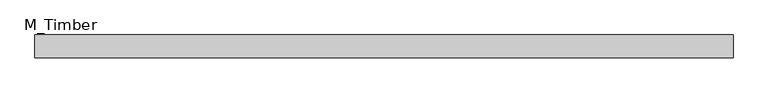
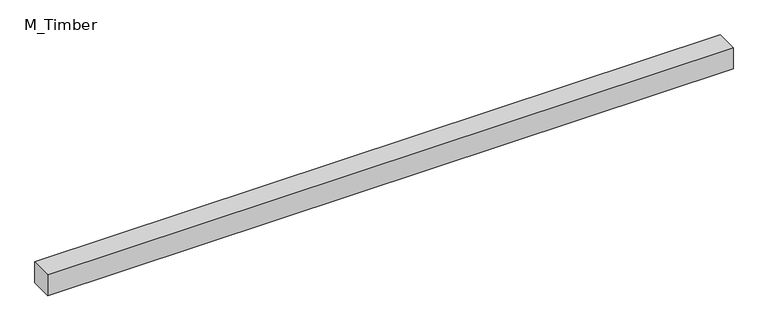
"""IFC4 building model written with IfcOpenShell, lengths in millimetres: beam geometry, M_Timber."""

from ifc_helpers import new_model, si_unit, frame, origin, place, context, project, spatial, polyline, outline, extrude, source, transform, mapped, element, save


def m_timber_c2e891ad(model_context):
    return source(origin(), model_context, "Body", "SweptSolid", [
        extrude(outline(polyline([(612.724005, 20.0), (612.724005, -20.0), (-612.724005, -20.0), (-612.724005, 20.0), (612.724005, 20.0)])), frame((0.0, 0.0, -20.0), z_axis=(0.0, 0.0, 1.0), x_axis=(1.0, 0.0, 0.0)), (0.0, 0.0, 1.0), 40.0),
    ])


if __name__ == "__main__":
    model = new_model("IFC4")
    model_context = context("Model", 3, world=origin())
    ifc_project = project(units=[si_unit("LENGTHUNIT", "METRE", prefix="MILLI")], contexts=[model_context])
    site = spatial("IfcSite", under=ifc_project)
    building = spatial("IfcBuilding", under=site)
    placement = place(None, origin())
    m_timber_shape = m_timber_c2e891ad(model_context)
    element("IfcBeam", 1, ObjectType="M_Timber", at=placement, inside=building, context=model_context, shape_type="MappedRepresentation", body=[
        mapped(m_timber_shape, transform((0.0, 0.0, 0.0), x_axis=(1.0, 0.0, 0.0), y_axis=(0.0, 1.0, 0.0), z_axis=(0.0, 0.0, 1.0))),
    ])
    save(model, "model.ifc")
